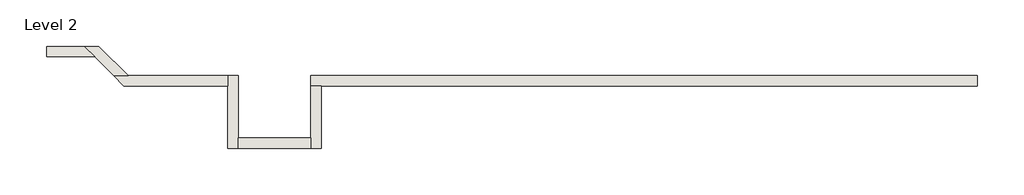
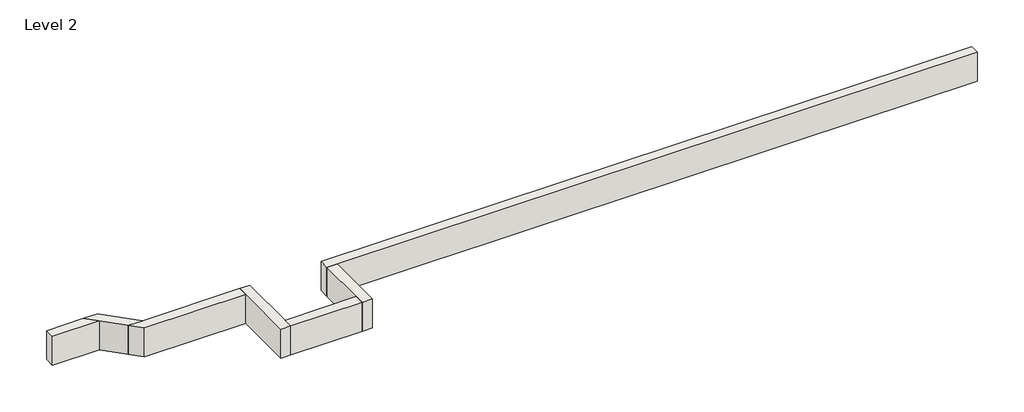
# One storey: 7 walls.
"""IFC4 building model written with IfcOpenShell, lengths in millimetres."""

from ifc_helpers import new_model, si_unit, frame, origin, place, context, project, spatial, polyline, outline, extrude, faceted_brep, element, save

model = new_model("IFC4")

# Units and contexts
model_context = context("Model", 3, world=origin())
ifc_project = project(units=[si_unit("LENGTHUNIT", "METRE", prefix="MILLI")], contexts=[model_context])

# Site, building, storey
site = spatial("IfcSite", under=ifc_project)
building = spatial("IfcBuilding", under=site)
storey = spatial("IfcBuildingStorey", under=building, Name="Level 2", Elevation=3048.0)

# Walls
placement = place(None, origin())
element("IfcWall", 1, ObjectType="Generic - 8\" Brick", at=placement, inside=storey, context=model_context, shape_type="Brep", body=[
    faceted_brep([(14630.357857, 1422.3976187, 3048.0), (10972.757857, 1422.3976187, 3048.0), (10363.157857, 1422.3976187, 3048.0), (7315.157857, 1422.3976187, 3048.0), (6705.557857, 1422.3976187, 3048.0), (4876.757857, 1422.3976187, 3048.0), (3657.557857, 1422.3976187, 3048.0), (1625.5602383, 1422.3976187, 3048.0), (1625.5602383, 1422.3976187, 3657.6), (14630.357857, 1422.3976187, 3657.6), (14630.357857, 1219.1976187, 3048.0), (14630.357857, 1219.1976187, 3657.6), (1828.7602383, 1219.1976187, 3657.6), (1625.5602383, 1219.1976187, 3657.6), (1625.5602383, 1219.1976187, 3048.0), (1828.7602383, 1219.1976187, 3048.0), (3657.557857, 1219.1976187, 3048.0), (4876.757857, 1219.1976187, 3048.0), (6705.557857, 1219.1976187, 3048.0), (7315.157857, 1219.1976187, 3048.0), (10363.157857, 1219.1976187, 3048.0), (10972.757857, 1219.1976187, 3048.0)], [[[0, 1, 2, 3, 4, 5, 6, 7, 8, 9]], [[10, 11, 12, 13, 14, 15, 16, 17, 18, 19, 20, 21]], [[7, 6, 5, 4, 3, 2, 1, 0, 10, 21, 20, 19, 18, 17, 16, 15, 14]], [[9, 8, 13, 12, 11]], [[0, 9, 11, 10]], [[8, 7, 14, 13]]]),
])
element("IfcWall", 2, ObjectType="Generic - 8\" Brick", at=placement, inside=storey, context=model_context, shape_type="Brep", body=[
    faceted_brep([(1625.5602383, 1219.1976187, 3048.0), (1625.5602383, 203.2, 3048.0), (1625.5602383, 0.0, 3048.0), (1625.5602383, 0.0, 3657.6), (1625.5602383, 203.2, 3657.6), (1625.5602383, 1219.1976187, 3657.6), (1828.7602383, 1219.1976187, 3048.0), (1828.7602383, 1219.1976187, 3657.6), (1828.7602383, 0.0, 3657.6), (1828.7602383, 0.0, 3048.0)], [[[0, 1, 2, 3, 4, 5]], [[6, 7, 8, 9]], [[2, 1, 0, 6, 9]], [[5, 4, 3, 8, 7]], [[0, 5, 7, 6]], [[3, 2, 9, 8]]]),
])
element("IfcWall", 3, ObjectType="Generic - 8\" Brick", at=placement, inside=storey, context=model_context, shape_type="SweptSolid", body=[
    extrude(outline(polyline([(203.157857, 203.2), (1625.5602383, 203.2), (1625.5602383, 0.0), (203.157857, 0.0), (203.157857, 203.2)])), frame((0.0, 0.0, 3048.0), z_axis=(0.0, 0.0, 1.0), x_axis=(1.0, 0.0, 0.0)), (0.0, 0.0, 1.0), 609.6),
])
element("IfcWall", 4, ObjectType="Generic - 8\" Brick", at=placement, inside=storey, context=model_context, shape_type="Brep", body=[
    faceted_brep([(203.157857, 0.0, 3048.0), (203.157857, 203.2, 3048.0), (203.157857, 1422.3976187, 3048.0), (203.157857, 1422.3976187, 3657.6), (203.157857, 203.2, 3657.6), (203.157857, 0.0, 3657.6), (-0.042143, 0.0, 3048.0), (-0.042143, 0.0, 3657.6), (-0.042143, 1219.1976187, 3657.6), (-0.042143, 1422.3976187, 3657.6), (-0.042143, 1422.3976187, 3048.0), (-0.042143, 1219.1976187, 3048.0)], [[[0, 1, 2, 3, 4, 5]], [[6, 7, 8, 9, 10, 11]], [[2, 1, 0, 6, 11, 10]], [[5, 4, 3, 9, 8, 7]], [[0, 5, 7, 6]], [[3, 2, 10, 9]]]),
])
element("IfcWall", 5, ObjectType="Generic - 8\" Brick", at=placement, inside=storey, context=model_context, shape_type="Brep", body=[
    faceted_brep([(-0.042143, 1422.3976187, 3048.0), (-1938.7501863, 1422.3976187, 3048.0), (-2226.1183822, 1422.3976187, 3048.0), (-2226.1183822, 1422.3976187, 3657.6), (-1938.7501863, 1422.3976187, 3657.6), (-0.042143, 1422.3976187, 3657.6), (-0.042143, 1219.1976187, 3048.0), (-0.042143, 1219.1976187, 3657.6), (-2022.9183822, 1219.1976187, 3657.6), (-2022.9183822, 1219.1976187, 3048.0)], [[[0, 1, 2, 3, 4, 5]], [[6, 7, 8, 9]], [[2, 1, 0, 6, 9]], [[5, 4, 3, 8, 7]], [[0, 5, 7, 6]], [[3, 2, 9, 8]]]),
])
element("IfcWall", 6, ObjectType="Generic - 8\" Brick", at=placement, inside=storey, context=model_context, shape_type="Brep", body=[
    faceted_brep([(-1938.7501863, 1422.3976187, 3048.0), (-2510.0444096, 1993.6918421, 3048.0), (-2510.0444096, 1993.6918421, 3657.6), (-1938.7501863, 1422.3976187, 3657.6), (-2226.1183822, 1422.3976187, 3048.0), (-2226.1183822, 1422.3976187, 3657.6), (-2594.2126055, 1790.4918421, 3657.6), (-2797.4126055, 1993.6918421, 3657.6), (-2797.4126055, 1993.6918421, 3048.0), (-2594.2126055, 1790.4918421, 3048.0)], [[[0, 1, 2, 3]], [[4, 5, 6, 7, 8, 9]], [[1, 0, 4, 9, 8]], [[3, 2, 7, 6, 5]], [[0, 3, 5, 4]], [[2, 1, 8, 7]]]),
])
element("IfcWall", 7, ObjectType="Generic - 8\" Brick", at=placement, inside=storey, context=model_context, shape_type="SweptSolid", body=[
    extrude(outline(polyline([(-3532.5603433, 1993.6918421), (-2797.4126055, 1993.6918421), (-2594.2126055, 1790.4918421), (-3532.5603433, 1790.4918421), (-3532.5603433, 1993.6918421)])), frame((0.0, 0.0, 3048.0), z_axis=(0.0, 0.0, 1.0), x_axis=(1.0, 0.0, 0.0)), (0.0, 0.0, 1.0), 609.6),
])

save(model, "model.ifc")
